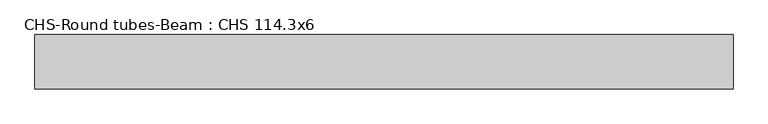
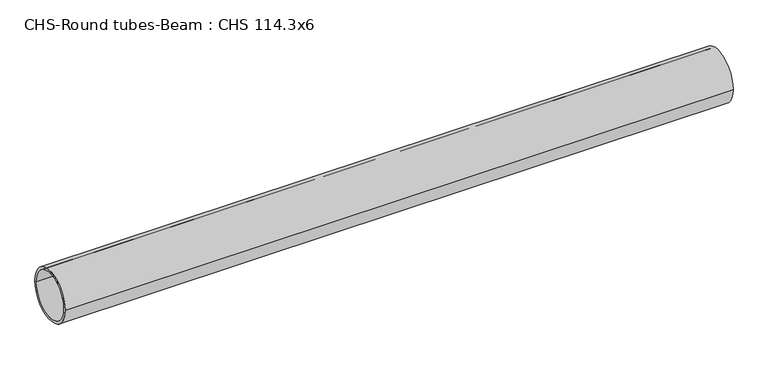
"""IFC4 building model written with IfcOpenShell, lengths in millimetres: beam geometry, CHS-Round tubes-Beam : CHS 114.3x6."""

from ifc_helpers import new_model, si_unit, point, frame, origin, origin_2d, place, context, project, spatial, circle_curve, trimmed, segment, composite_curve, outline, extrude, source, transform, mapped, element, save


def chs_round_tubes_beam_chs_114_3x6_d2135818(model_context):
    return source(origin(), model_context, "Body", "SweptSolid", [
        extrude(outline(composite_curve([segment(trimmed(circle_curve(origin_2d(), 57.15), [point((57.15, 0.0))], [point((-57.15, 0.0))], False, "CARTESIAN"), True, "CONTINUOUS"), segment(trimmed(circle_curve(origin_2d(), 57.15), [point((-57.15, 0.0))], [point((57.15, 0.0))], False, "CARTESIAN"), True, "CONTINUOUS")], self_intersect=False), holes=[composite_curve([segment(trimmed(circle_curve(origin_2d(), 51.15), [point((51.15, 0.0))], [point((-51.15, 0.0))], True, "CARTESIAN"), True, "CONTINUOUS"), segment(trimmed(circle_curve(origin_2d(), 51.15), [point((-51.15, 0.0))], [point((51.15, 0.0))], True, "CARTESIAN"), True, "CONTINUOUS")], self_intersect=False)]), frame((-735.34696, 0.0, 0.0), z_axis=(1.0, 0.0, 0.0), x_axis=(0.0, 1.0, 0.0)), (0.0, 0.0, 1.0), 1462.2175338),
    ])


if __name__ == "__main__":
    model = new_model("IFC4")
    model_context = context("Model", 3, world=origin())
    ifc_project = project(units=[si_unit("LENGTHUNIT", "METRE", prefix="MILLI")], contexts=[model_context])
    site = spatial("IfcSite", under=ifc_project)
    building = spatial("IfcBuilding", under=site)
    placement = place(None, origin())
    chs_round_tubes_beam_chs_114_3x6_shape = chs_round_tubes_beam_chs_114_3x6_d2135818(model_context)
    element("IfcBeam", 1, ObjectType="CHS-Round tubes-Beam : CHS 114.3x6", at=placement, inside=building, context=model_context, shape_type="MappedRepresentation", body=[
        mapped(chs_round_tubes_beam_chs_114_3x6_shape, transform((0.0, 0.0, 0.0), x_axis=(1.0, 0.0, 0.0), y_axis=(0.0, 1.0, 0.0), z_axis=(0.0, 0.0, 1.0))),
    ])
    save(model, "model.ifc")
